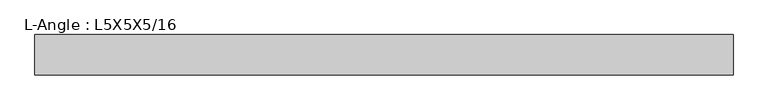
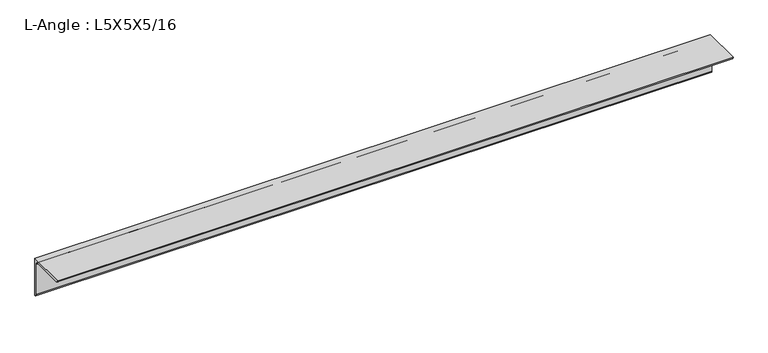
"""IFC4 building model written with IfcOpenShell, lengths in millimetres: beam geometry, L-Angle : L5X5X5/16."""

from ifc_helpers import new_model, si_unit, point, frame, frame_2d, origin, place, context, project, spatial, polyline, circle_curve, trimmed, segment, composite_curve, outline, extrude, source, transform, mapped, element, save


def l_angle_l5x5x5_16_04bd65c2(model_context):
    return source(origin(), model_context, "Body", "SweptSolid", [
        extrude(outline(composite_curve([segment(polyline([(34.3296875, 34.3296875), (34.3296875, -92.6703125)]), True, "CONTINUOUS"), segment(trimmed(circle_curve(frame_2d((34.3296875, -84.7328125)), 7.9375), [point((34.3296875, -92.6703125))], [point((26.3921875, -84.7328125))], False, "CARTESIAN"), True, "CONTINUOUS"), segment(polyline([(26.3921875, -84.7328125), (26.3921875, 18.4546875)]), True, "CONTINUOUS"), segment(trimmed(circle_curve(frame_2d((18.4546875, 18.4546875)), 7.9375), [point((26.3921875, 18.4546875))], [point((18.4546875, 26.3921875))], True, "CARTESIAN"), True, "CONTINUOUS"), segment(polyline([(18.4546875, 26.3921875), (-84.7328125, 26.3921875)]), True, "CONTINUOUS"), segment(trimmed(circle_curve(frame_2d((-84.7328125, 34.3296875)), 7.9375), [point((-84.7328125, 26.3921875))], [point((-92.6703125, 34.3296875))], False, "CARTESIAN"), True, "CONTINUOUS"), segment(polyline([(-92.6703125, 34.3296875), (34.3296875, 34.3296875)]), True, "CONTINUOUS")], self_intersect=False)), frame((-1143.0, 0.0, 0.0), z_axis=(1.0, 0.0, 0.0), x_axis=(0.0, 1.0, 0.0)), (0.0, 0.0, 1.0), 2190.0058594),
    ])


if __name__ == "__main__":
    model = new_model("IFC4")
    model_context = context("Model", 3, world=origin())
    ifc_project = project(units=[si_unit("LENGTHUNIT", "METRE", prefix="MILLI")], contexts=[model_context])
    site = spatial("IfcSite", under=ifc_project)
    building = spatial("IfcBuilding", under=site)
    placement = place(None, origin())
    l_angle_l5x5x5_16_shape = l_angle_l5x5x5_16_04bd65c2(model_context)
    element("IfcBeam", 1, ObjectType="L-Angle : L5X5X5/16", at=placement, inside=building, context=model_context, shape_type="MappedRepresentation", body=[
        mapped(l_angle_l5x5x5_16_shape, transform((0.0, 0.0, 0.0), x_axis=(1.0, 0.0, 0.0), y_axis=(0.0, 1.0, 0.0), z_axis=(0.0, 0.0, 1.0))),
    ])
    save(model, "model.ifc")
